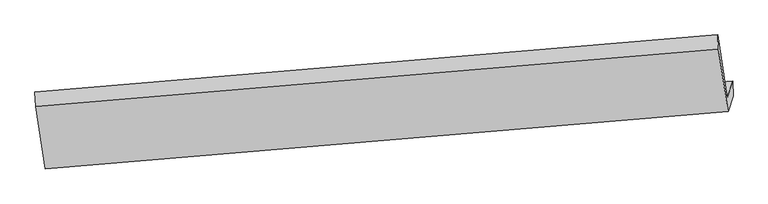
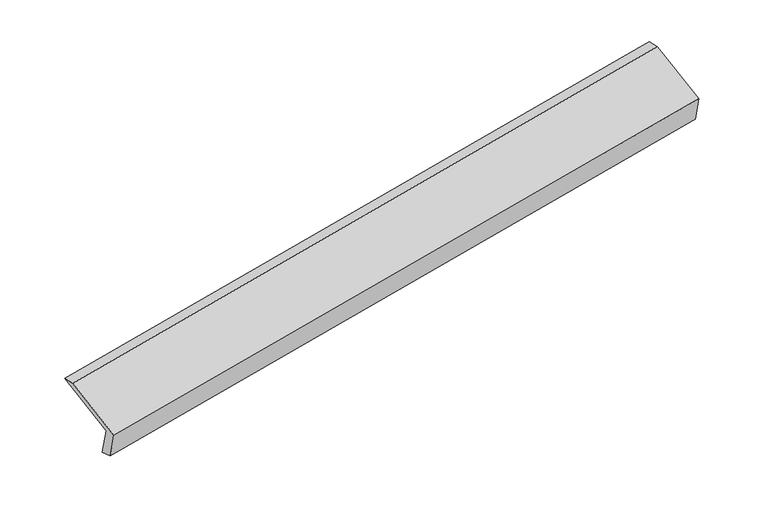
"""IFC4 building model written with IfcOpenShell, lengths in millimetres: proxy geometry."""

from ifc_helpers import new_model, si_unit, origin, place, context, project, spatial, faceted_brep, source, transform, mapped, element, save


def generic_models_0d5e8fd0(model_context):
    return source(origin(), model_context, "Body", "Brep", [
        faceted_brep([(-6129.3081451, -1812.5616947, 983.722523), (-6181.6441072, -1975.7240735, 1349.9175851), (482.4132328, -1414.9168504, 2541.1665143), (534.7491948, -1251.7544716, 2174.9714521), (-6126.5184865, -1958.0361602, 1031.4204889), (537.5388535, -1397.2289371, 2222.6694181), (-6175.8689767, -2111.8910442, 1376.7261852), (488.1883633, -1551.0838211, 2567.9751144), (-6269.387588, -1498.6521788, 1636.5962256), (394.669752, -937.8449557, 2827.8451547), (-6275.5602976, -1359.8781231, 1610.8924206), (388.4970424, -799.0709, 2802.1413497)], [[[0, 1, 2, 3]], [[4, 0, 3, 5]], [[6, 4, 5, 7]], [[8, 6, 7, 9]], [[10, 8, 9, 11]], [[1, 10, 11, 2]], [[9, 7, 5, 3, 2, 11]], [[1, 0, 4, 6, 8, 10]]]),
    ])


if __name__ == "__main__":
    model = new_model("IFC4")
    model_context = context("Model", 3, world=origin())
    ifc_project = project(units=[si_unit("LENGTHUNIT", "METRE", prefix="MILLI")], contexts=[model_context])
    site = spatial("IfcSite", under=ifc_project)
    building = spatial("IfcBuilding", under=site)
    placement = place(None, origin())
    generic_models_shape = generic_models_0d5e8fd0(model_context)
    element("IfcBuildingElementProxy", 1, Name="Generic Models", at=placement, inside=building, context=model_context, shape_type="MappedRepresentation", body=[
        mapped(generic_models_shape, transform((0.0, 0.0, 0.0), x_axis=(1.0, 0.0, 0.0), y_axis=(0.0, 1.0, 0.0), z_axis=(0.0, 0.0, 1.0))),
    ])
    save(model, "model.ifc")
